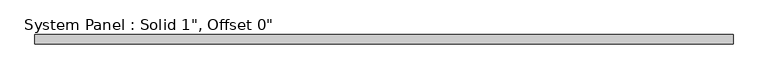
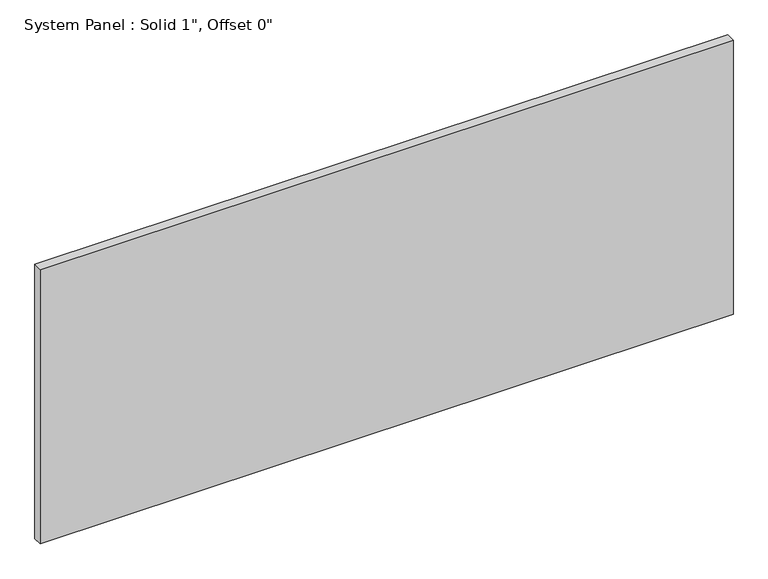
"""IFC4 building model written with IfcOpenShell, lengths in millimetres: plate geometry."""

from ifc_helpers import new_model, si_unit, origin, origin_with_axes, place, context, project, spatial, polyline, outline, extrude, source, transform, mapped, element, save


def plate_5a2f7045(model_context):
    return source(origin(), model_context, "Body", "SweptSolid", [
        extrude(outline(polyline([(968.375, -12.7), (-968.375, -12.7), (-968.375, 12.7), (968.375, 12.7), (968.375, -12.7)])), origin_with_axes(), (0.0, 0.0, 1.0), 810.2995022),
    ])


if __name__ == "__main__":
    model = new_model("IFC4")
    model_context = context("Model", 3, world=origin())
    ifc_project = project(units=[si_unit("LENGTHUNIT", "METRE", prefix="MILLI")], contexts=[model_context])
    site = spatial("IfcSite", under=ifc_project)
    building = spatial("IfcBuilding", under=site)
    placement = place(None, origin())
    plate_shape = plate_5a2f7045(model_context)
    element("IfcPlate", 1, ObjectType="System Panel : Solid 1\", Offset 0\"", at=placement, inside=building, context=model_context, shape_type="MappedRepresentation", body=[
        mapped(plate_shape, transform((0.0, 0.0, 0.0), x_axis=(1.0, 0.0, 0.0), y_axis=(0.0, 1.0, 0.0), z_axis=(0.0, 0.0, 1.0))),
    ])
    save(model, "model.ifc")
